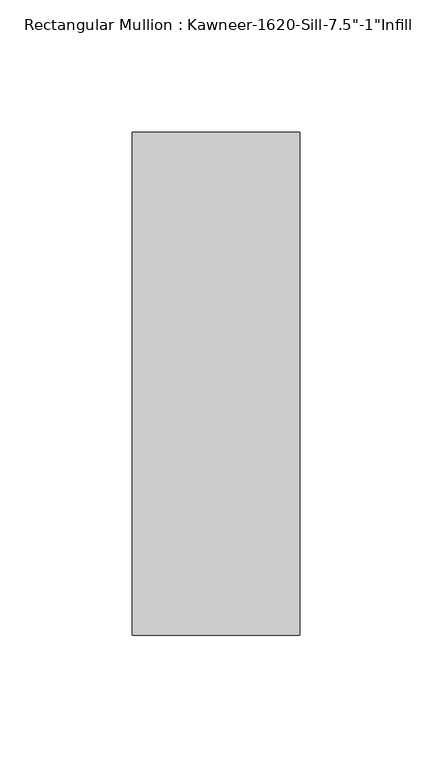
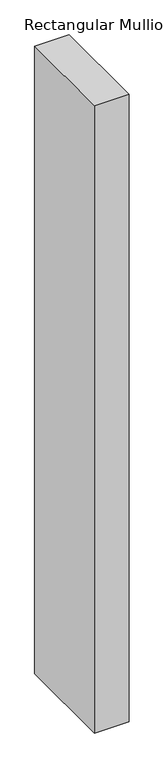
"""IFC4 building model written with IfcOpenShell, lengths in millimetres: member geometry."""

from ifc_helpers import new_model, si_unit, frame, origin, place, context, project, spatial, polyline, outline, extrude, source, transform, mapped, element, save


def member_eed89d34(model_context):
    return source(origin(), model_context, "Body", "SweptSolid", [
        extrude(outline(polyline([(-63.5, 38.1), (0.0, 38.1), (0.0, -152.4), (-63.5, -152.4), (-63.5, 38.1)])), frame((0.0, 0.0, -1219.2), z_axis=(0.0, 0.0, 1.0), x_axis=(1.0, 0.0, 0.0)), (0.0, 0.0, 1.0), 1219.2),
    ])


if __name__ == "__main__":
    model = new_model("IFC4")
    model_context = context("Model", 3, world=origin())
    ifc_project = project(units=[si_unit("LENGTHUNIT", "METRE", prefix="MILLI")], contexts=[model_context])
    site = spatial("IfcSite", under=ifc_project)
    building = spatial("IfcBuilding", under=site)
    placement = place(None, origin())
    member_shape = member_eed89d34(model_context)
    element("IfcMember", 1, ObjectType="Rectangular Mullion : Kawneer-1620-Sill-7.5\"-1\"Infill", at=placement, inside=building, context=model_context, shape_type="MappedRepresentation", body=[
        mapped(member_shape, transform((0.0, 0.0, 0.0), x_axis=(1.0, 0.0, 0.0), y_axis=(0.0, 1.0, 0.0), z_axis=(0.0, 0.0, 1.0))),
    ])
    save(model, "model.ifc")
